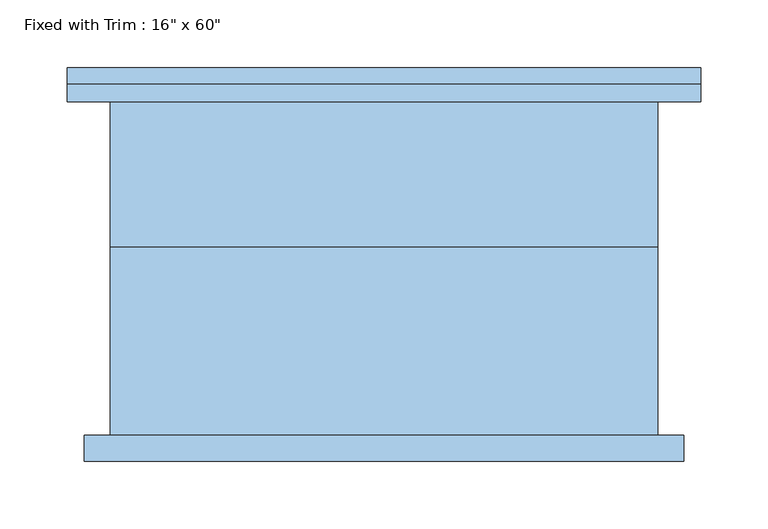
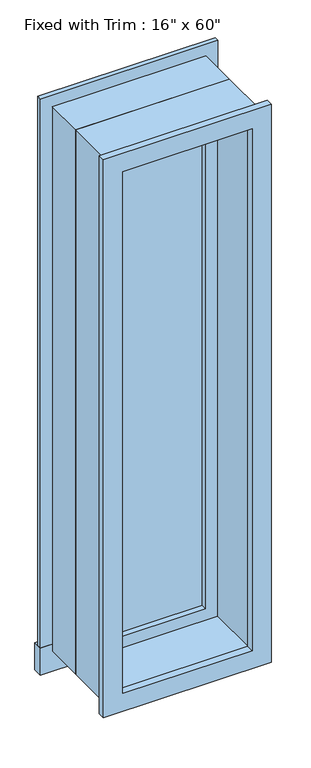
"""IFC4 building model written with IfcOpenShell, lengths in millimetres: window geometry."""

from ifc_helpers import new_model, si_unit, frame, origin, place, context, project, spatial, polyline, outline, extrude, source, transform, mapped, element, save


def window_2fe5f727(model_context):
    return source(origin(), model_context, "Body", "SweptSolid", [
        extrude(outline(polyline([(-273.05, 149.225), (196.85, 149.225), (196.85, 123.825), (-273.05, 123.825), (-273.05, 149.225)])), frame((0.0, 0.0, 552.45), z_axis=(0.0, 0.0, 1.0), x_axis=(1.0, 0.0, 0.0)), (0.0, 0.0, 1.0), 76.2),
        extrude(outline(polyline([(2114.55, -222.25), (2114.55, 146.05), (628.65, 146.05), (628.65, 196.85), (2165.35, 196.85), (2165.35, -273.05), (628.65, -273.05), (628.65, -222.25), (2114.55, -222.25)])), frame((0.0, 123.825, 0.0), z_axis=(0.0, 1.0, 0.0), x_axis=(0.0, 0.0, 1.0)), (0.0, 0.0, 1.0), 12.7),
        extrude(outline(polyline([(2152.65, 184.15), (2152.65, -260.35), (590.55, -260.35), (590.55, 184.15), (2152.65, 184.15)]), holes=[polyline([(2101.85, 133.35), (641.35, 133.35), (641.35, -209.55), (2101.85, -209.55), (2101.85, 133.35)])]), frame((0.0, -142.875, 0.0), z_axis=(0.0, 1.0, 0.0), x_axis=(0.0, 0.0, 1.0)), (0.0, 0.0, 1.0), 19.05),
        extrude(outline(polyline([(101.6, 31.75), (-177.8, 31.75), (-177.8, 44.45), (101.6, 44.45), (101.6, 31.75)])), frame((0.0, 0.0, 673.1), z_axis=(0.0, 0.0, 1.0), x_axis=(1.0, 0.0, 0.0)), (0.0, 0.0, 1.0), 1397.0),
        extrude(outline(polyline([(2114.55, -222.25), (628.65, -222.25), (628.65, 146.05), (2114.55, 146.05), (2114.55, -222.25)]), holes=[polyline([(2070.1, -177.8), (2070.1, 101.6), (673.1, 101.6), (673.1, -177.8), (2070.1, -177.8)])]), frame((0.0, 15.875, 0.0), z_axis=(0.0, 1.0, 0.0), x_axis=(0.0, 0.0, 1.0)), (0.0, 0.0, 1.0), 44.45),
        extrude(outline(polyline([(2133.6, -241.3), (609.6, -241.3), (609.6, 165.1), (2133.6, 165.1), (2133.6, -241.3)]), holes=[polyline([(2101.85, -209.55), (2101.85, 133.35), (641.35, 133.35), (641.35, -209.55), (2101.85, -209.55)])]), frame((0.0, -123.825, 0.0), z_axis=(0.0, 1.0, 0.0), x_axis=(0.0, 0.0, 1.0)), (0.0, 0.0, 1.0), 139.7),
        extrude(outline(polyline([(2133.6, 165.1), (2133.6, -241.3), (609.6, -241.3), (609.6, 165.1), (2133.6, 165.1)]), holes=[polyline([(2114.55, 146.05), (628.65, 146.05), (628.65, -222.25), (2114.55, -222.25), (2114.55, 146.05)])]), frame((0.0, 15.875, 0.0), z_axis=(0.0, 1.0, 0.0), x_axis=(0.0, 0.0, 1.0)), (0.0, 0.0, 1.0), 107.95),
    ])


if __name__ == "__main__":
    model = new_model("IFC4")
    model_context = context("Model", 3, world=origin())
    ifc_project = project(units=[si_unit("LENGTHUNIT", "METRE", prefix="MILLI")], contexts=[model_context])
    site = spatial("IfcSite", under=ifc_project)
    building = spatial("IfcBuilding", under=site)
    placement = place(None, origin())
    window_shape = window_2fe5f727(model_context)
    element("IfcWindow", 1, ObjectType="Fixed with Trim : 16\" x 60\"", at=placement, inside=building, context=model_context, shape_type="MappedRepresentation", body=[
        mapped(window_shape, transform((0.0, 0.0, 0.0), x_axis=(1.0, 0.0, 0.0), y_axis=(0.0, 1.0, 0.0), z_axis=(0.0, 0.0, 1.0))),
    ])
    save(model, "model.ifc")
